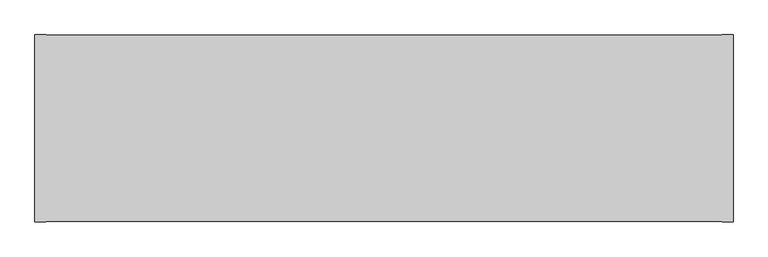
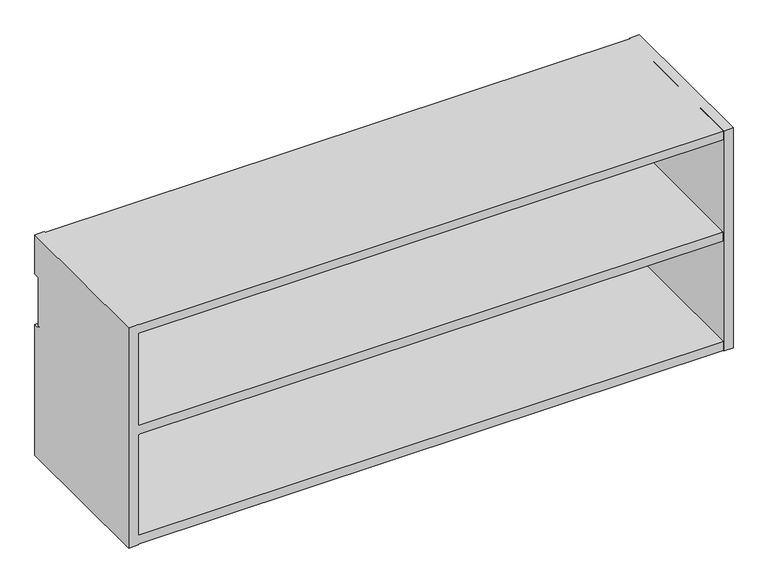
"""IFC4 building model written with IfcOpenShell, lengths in millimetres: furniture geometry."""

from ifc_helpers import new_model, si_unit, origin, place, context, project, spatial, triangles, source, transform, mapped, element, save


def furniture_ff41ba94(model_context):
    return source(origin(), model_context, "Body", "Tessellation", [
        triangles([(1199.8960184, -326.034387, 450.59597), (1199.8960184, -0.9906, 450.59597), (1199.8960184, -0.9906, 468.9093507), (1199.8960184, -326.034387, 468.9093507), (19.3039998, -326.034387, 450.59597), (19.3039998, -0.9906, 450.59597), (19.3039998, -326.034387, 468.9093507), (19.3039998, -0.9906, 468.9093507), (0.0, 0.0, 386.8419763), (19.3039998, 0.0, 386.8419763), (19.3039998, -8.7634487, 386.8419763), (0.0, -8.7634487, 386.8419763), (19.3039998, -8.7630002, 278.8919884), (19.3039998, 0.0, 278.8919884), (0.0, 0.0, 278.8919884), (0.0, -8.7630002, 278.8919884), (19.3039998, -11.8298148, 281.2452241), (0.0, -11.8298148, 281.2452241), (0.0, -11.938, 282.0669763), (19.3039998, -11.938, 282.0669763), (19.3039998, -11.5126308, 280.4794823), (0.0, -11.5126308, 280.4794823), (19.3039998, -11.0080638, 279.8219098), (0.0, -11.0080638, 279.8219098), (19.3039998, -10.3505003, 279.317344), (0.0, -10.3505003, 279.317344), (19.3039998, -9.5847506, 279.0001758), (0.0, -9.5847506, 279.0001758), (19.3039998, -11.938, 383.6674244), (0.0, -11.938, 383.6674244), (19.3039998, -9.5850833, 386.733807), (0.0, -9.5850833, 386.733807), (19.3039998, -10.350724, 386.4166389), (0.0, -10.350724, 386.4166389), (19.3039998, -11.0081955, 385.9121638), (0.0, -11.0081955, 385.9121638), (19.3039998, -11.5126909, 385.2546822), (0.0, -11.5126909, 385.2546822), (19.3039998, -11.8298296, 384.4890312), (0.0, -11.8298296, 384.4890312), (19.3039998, -327.0249879, 469.8999516), (19.3039998, -327.0249879, -2.47e-05), (19.3039998, 0.0, -2.47e-05), (19.3039998, 0.0, 469.8999516), (0.0, -327.0249879, -2.47e-05), (0.0, 0.0, -2.47e-05), (0.0, -327.0249879, 469.8999516), (0.0, 0.0, 469.8999516), (1199.8960184, -11.938, 450.59597), (19.3039998, -11.938, 450.59597), (19.3039998, -31.2419997, 450.59597), (1199.8960184, -31.2419997, 450.59597), (1199.8960184, -11.938, 20.2945756), (19.3039998, -11.938, 20.2945756), (1199.8960184, -31.2419997, 20.2945756), (19.3039998, -31.2419997, 20.2945756), (1199.8960184, -326.034387, 0.9905753), (1199.8960184, -0.9906, 0.9905753), (1199.8960184, -0.9906, 20.2945756), (1199.8960184, -326.034387, 20.2945756), (19.3039998, -326.034387, 0.9905753), (19.3039998, -0.9906, 0.9905753), (19.3039998, -326.034387, 20.2945756), (19.3039998, -0.9906, 20.2945756), (1219.2, 0.0, 386.8419763), (1219.2, -8.7634487, 386.8419763), (1199.8960184, -8.7634487, 386.8419763), (1199.8960184, 0.0, 386.8419763), (1219.2, -8.7630002, 278.8919884), (1219.2, 0.0, 278.8919884), (1199.8960184, 0.0, 278.8919884), (1199.8960184, -8.7630002, 278.8919884), (1219.2, -11.8298148, 281.2452241), (1199.8960184, -11.8298148, 281.2452241), (1199.8960184, -11.938, 282.0669763), (1219.2, -11.938, 282.0669763), (1219.2, -11.5126308, 280.4794823), (1199.8960184, -11.5126308, 280.4794823), (1199.8960184, -11.0080638, 279.8219098), (1219.2, -11.0080638, 279.8219098), (1219.2, -9.5847506, 279.0001758), (1199.8960184, -9.5847506, 279.0001758), (1199.8960184, -10.3505003, 279.317344), (1219.2, -10.3505003, 279.317344), (1219.2, -11.938, 383.6674244), (1199.8960184, -11.938, 383.6674244), (1219.2, -9.5850833, 386.733807), (1199.8960184, -9.5850833, 386.733807), (1219.2, -10.350724, 386.4166389), (1199.8960184, -10.350724, 386.4166389), (1199.8960184, -11.0081955, 385.9121638), (1219.2, -11.0081955, 385.9121638), (1219.2, -11.8298296, 384.4890312), (1199.8960184, -11.8298296, 384.4890312), (1199.8960184, -11.5126909, 385.2546822), (1219.2, -11.5126909, 385.2546822), (1219.2, -327.0249879, 469.8999516), (1219.2, -327.0249879, -2.47e-05), (1219.2, 0.0, -2.47e-05), (1219.2, 0.0, 469.8999516), (1199.8960184, -327.0249879, -2.47e-05), (1199.8960184, 0.0, -2.47e-05), (1199.8960184, -327.0249879, 469.8999516), (1199.8960184, 0.0, 469.8999516), (1199.2610281, -326.034387, 234.9499758), (19.9389992, -326.034387, 234.9499758), (19.9389992, -31.2419997, 234.9499758), (1199.2610281, -31.2419997, 234.9499758), (19.9389992, -326.034387, 254.2539755), (19.9389992, -31.2419997, 254.2539755), (1199.2610281, -326.034387, 254.2539755), (1199.2610281, -31.2419997, 254.2539755)], [[1, 2, 3], [1, 3, 4], [1, 5, 6], [1, 6, 2], [6, 5, 7], [6, 7, 8], [4, 3, 8], [4, 8, 7], [2, 6, 8], [2, 8, 3], [7, 5, 1], [7, 1, 4], [9, 10, 11], [9, 11, 12], [13, 14, 15], [13, 15, 16], [17, 18, 19], [17, 19, 20], [21, 22, 18], [21, 18, 17], [22, 21, 23], [22, 23, 24], [25, 26, 24], [25, 24, 23], [27, 28, 26], [27, 26, 25], [28, 27, 13], [28, 13, 16], [29, 20, 19], [29, 19, 30], [31, 32, 12], [31, 12, 11], [33, 34, 32], [33, 32, 31], [34, 33, 35], [34, 35, 36], [37, 38, 36], [37, 36, 35], [39, 40, 38], [39, 38, 37], [40, 39, 29], [40, 29, 30], [17, 20, 41], [17, 41, 42], [21, 17, 42], [23, 21, 43], [21, 42, 43], [29, 39, 41], [29, 41, 20], [37, 44, 41], [37, 41, 39], [44, 37, 35], [27, 25, 43], [13, 43, 14], [43, 13, 27], [25, 23, 43], [33, 31, 44], [11, 10, 44], [11, 44, 31], [33, 44, 35], [43, 42, 45], [43, 45, 46], [47, 30, 19], [30, 47, 40], [38, 40, 47], [38, 47, 48], [48, 36, 38], [18, 45, 47], [18, 47, 19], [45, 22, 24], [45, 24, 46], [18, 22, 45], [32, 34, 48], [12, 48, 9], [48, 12, 32], [34, 36, 48], [26, 28, 46], [16, 15, 46], [16, 46, 28], [26, 46, 24], [41, 44, 48], [41, 48, 47], [46, 15, 14], [46, 14, 43], [9, 48, 44], [9, 44, 10], [47, 45, 42], [47, 42, 41], [49, 50, 51], [49, 51, 52], [49, 53, 54], [49, 54, 50], [53, 55, 56], [53, 56, 54], [52, 51, 56], [52, 56, 55], [50, 54, 56], [50, 56, 51], [55, 53, 49], [55, 49, 52], [57, 58, 59], [57, 59, 60], [57, 61, 62], [57, 62, 58], [61, 63, 64], [61, 64, 62], [60, 59, 64], [60, 64, 63], [58, 62, 64], [58, 64, 59], [63, 61, 57], [63, 57, 60], [65, 66, 67], [65, 67, 68], [69, 70, 71], [69, 71, 72], [73, 74, 75], [73, 75, 76], [77, 78, 74], [77, 74, 73], [78, 77, 79], [77, 80, 79], [81, 82, 83], [81, 83, 84], [69, 72, 81], [72, 82, 81], [79, 80, 83], [80, 84, 83], [85, 76, 75], [85, 75, 86], [87, 88, 66], [88, 67, 66], [89, 90, 88], [89, 88, 87], [90, 89, 91], [89, 92, 91], [93, 94, 95], [93, 95, 96], [85, 86, 94], [85, 94, 93], [91, 92, 95], [92, 96, 95], [73, 76, 97], [73, 97, 98], [77, 73, 98], [80, 77, 99], [77, 98, 99], [85, 93, 97], [85, 97, 76], [96, 100, 97], [96, 97, 93], [100, 96, 92], [81, 84, 99], [69, 99, 70], [99, 69, 81], [84, 80, 99], [89, 87, 100], [66, 65, 100], [66, 100, 87], [89, 100, 92], [98, 101, 102], [98, 102, 99], [103, 86, 75], [86, 103, 94], [95, 94, 103], [95, 103, 104], [104, 91, 95], [74, 101, 103], [74, 103, 75], [101, 78, 79], [101, 79, 102], [74, 78, 101], [88, 90, 104], [67, 104, 68], [104, 67, 88], [90, 91, 104], [83, 82, 102], [72, 71, 102], [72, 102, 82], [83, 102, 79], [97, 100, 104], [97, 104, 103], [102, 71, 70], [102, 70, 99], [68, 104, 100], [68, 100, 65], [103, 101, 98], [103, 98, 97], [105, 106, 107], [105, 107, 108], [107, 106, 109], [107, 109, 110], [111, 112, 110], [111, 110, 109], [105, 108, 112], [105, 112, 111], [110, 112, 108], [110, 108, 107], [111, 109, 106], [111, 106, 105]]),
    ])


if __name__ == "__main__":
    model = new_model("IFC4")
    model_context = context("Model", 3, world=origin())
    ifc_project = project(units=[si_unit("LENGTHUNIT", "METRE", prefix="MILLI")], contexts=[model_context])
    site = spatial("IfcSite", under=ifc_project)
    building = spatial("IfcBuilding", under=site)
    placement = place(None, origin())
    furniture_shape = furniture_ff41ba94(model_context)
    element("IfcFurniture", 1, at=placement, inside=building, context=model_context, shape_type="MappedRepresentation", body=[
        mapped(furniture_shape, transform((0.0, 0.0, 0.0), x_axis=(1.0, 0.0, 0.0), y_axis=(0.0, 1.0, 0.0), z_axis=(0.0, 0.0, 1.0))),
    ])
    save(model, "model.ifc")
